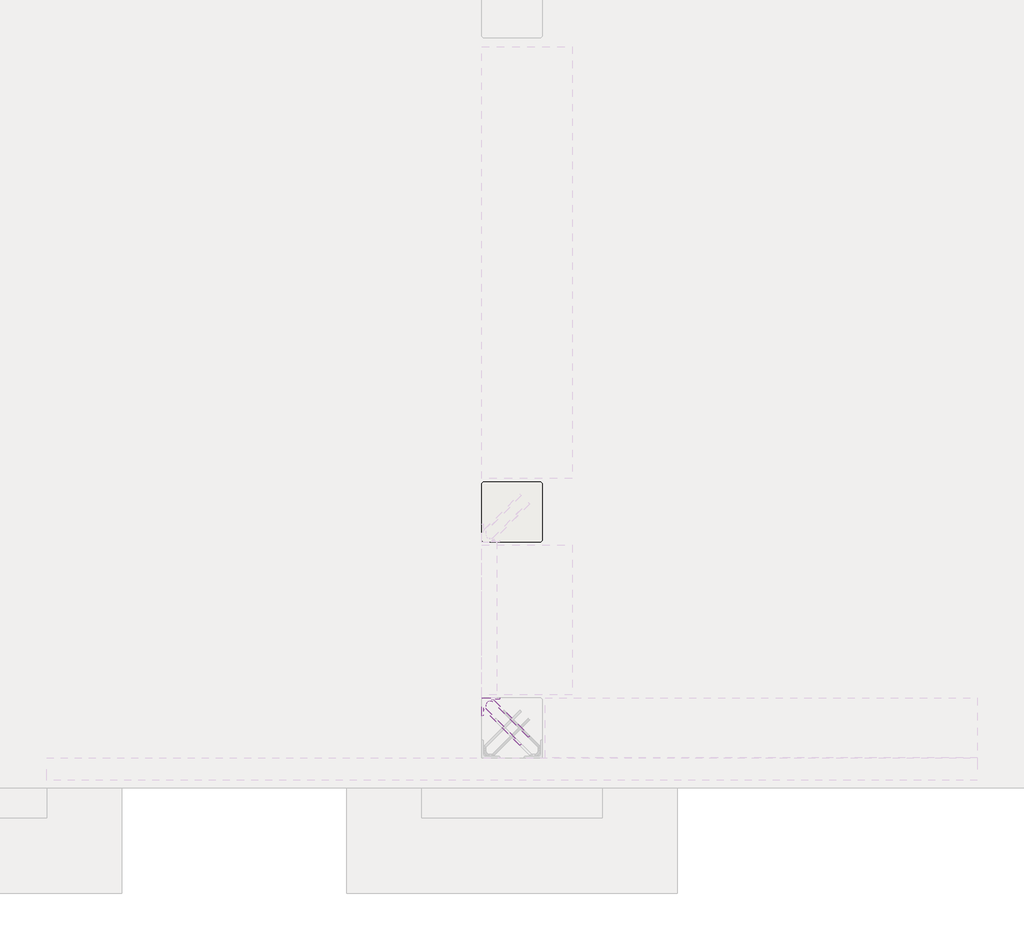
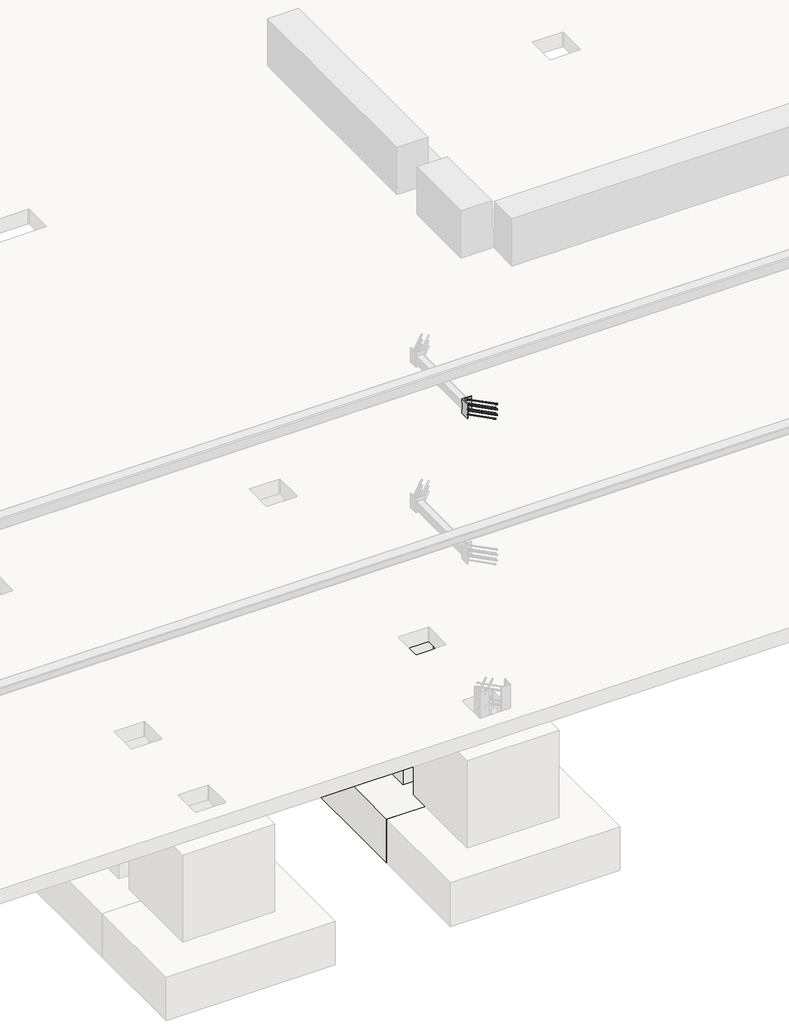
# One storey, part 28 of 65: 1 fastener, 1 slab.
"""IFC4 building model written with IfcOpenShell, lengths in millimetres."""

from ifc_helpers import new_model, si_unit, point, frame, frame_2d, origin, place, context, project, spatial, polyline, circle_curve, ellipse_curve, trimmed, segment, composite_curve, outline, extrude, faceted_brep, element, save
from ifc_brep_helpers import plane_surface, cylinder_surface, revolved_surface, advanced_brep

model = new_model("IFC4")

# Units and contexts
model_context = context("Model", 3, world=origin())
ifc_project = project(units=[si_unit("LENGTHUNIT", "METRE", prefix="MILLI")], contexts=[model_context])

# Site, building, storey
site = spatial("IfcSite", under=ifc_project)
building = spatial("IfcBuilding", under=site)
storey = spatial("IfcBuildingStorey", under=building, Elevation=0.0)

# Fastener
placement = place(None, origin())
element("IfcFastener", 1, at=placement, inside=storey, context=model_context, shape_type="SolidModel", body=[
    advanced_brep(
    [(56902.5376259, 9882.5628791, 4125.0), (56912.4371209, 9892.4623741, 4125.0), (56967.4371209, 9947.4623741, 4125.0), (56957.5376259, 9937.5628791, 4125.0), (56697.0, 10176.0, 4125.0), (56697.0, 10190.0, 4125.0), (56715.7867966, 10190.0, 4125.0), (56715.7867966, 10176.0, 4125.0), (56674.0, 10153.0, 4125.0), (56660.0, 10153.0, 4125.0), (56674.0, 10134.2132034, 4125.0), (56660.0, 10134.2132034, 4125.0), (56666.4436508, 10118.6568542, 4125.0), (56676.3431458, 10128.5563492, 4125.0), (56721.4436508, 10173.6568542, 4125.0), (56731.3431458, 10183.5563492, 4125.0)],
    [
        (0, 1, circle_curve(frame((56907.4873734, 9887.5126266, 4125.0), z_axis=(0.7071067811865459, -0.7071067811865493, 0.0), x_axis=(0.7071067811865493, 0.7071067811865459, 0.0)), 7.0)),
        (1, 0, circle_curve(frame((56907.4873734, 9887.5126266, 4125.0), z_axis=(0.7071067811865459, -0.7071067811865493, 0.0), x_axis=(0.7071067811865493, 0.7071067811865459, 0.0)), 7.0)),
        (2, 3, circle_curve(frame((56962.4873734, 9942.5126266, 4125.0), z_axis=(0.7071067811865457, -0.7071067811865493, 0.0), x_axis=(-0.7071067811865493, -0.7071067811865457, 0.0)), 7.0)),
        (3, 2, circle_curve(frame((56962.4873734, 9942.5126266, 4125.0), z_axis=(0.7071067811865457, -0.7071067811865493, 0.0), x_axis=(-0.7071067811865493, -0.7071067811865457, 0.0)), 7.0)),
        (4, 5, circle_curve(frame((56697.0, 10183.0, 4125.0), z_axis=(1.0, 0.0, 0.0), x_axis=(0.0, -1.0, 0.0)), 7.0)),
        (5, 6),
        (6, 7, circle_curve(frame((56715.7867966, 10183.0, 4125.0), z_axis=(-1.0, 0.0, 0.0), x_axis=(0.0, -1.0, 0.0)), 7.0)),
        (7, 4),
        (5, 4, circle_curve(frame((56697.0, 10183.0, 4125.0), z_axis=(1.0, 0.0, 0.0), x_axis=(0.0, -1.0, 0.0)), 7.0)),
        (7, 6, circle_curve(frame((56715.7867966, 10183.0, 4125.0), z_axis=(-1.0, 0.0, 0.0), x_axis=(0.0, -1.0, 0.0)), 7.0)),
        (4, 8, circle_curve(frame((56697.0, 10153.0, 4125.0), z_axis=(0.0, 0.0, 1.0), x_axis=(-1.0, 0.0, 0.0)), 23.0)),
        (8, 9, circle_curve(frame((56667.0, 10153.0, 4125.0), z_axis=(0.0, 1.0, 0.0), x_axis=(1.0, 0.0, 0.0)), 7.0)),
        (9, 5, circle_curve(frame((56697.0, 10153.0, 4125.0), z_axis=(0.0, 0.0, -1.0), x_axis=(-1.0, 0.0, 0.0)), 37.0)),
        (9, 8, circle_curve(frame((56667.0, 10153.0, 4125.0), z_axis=(0.0, 1.0, 0.0), x_axis=(1.0, 0.0, 0.0)), 7.0)),
        (10, 11, circle_curve(frame((56667.0, 10134.2132034, 4125.0), z_axis=(0.0, 1.0, 0.0), x_axis=(1.0, 0.0, 0.0)), 7.0)),
        (11, 9),
        (8, 10),
        (11, 10, circle_curve(frame((56667.0, 10134.2132034, 4125.0), z_axis=(0.0, 1.0, 0.0), x_axis=(1.0, 0.0, 0.0)), 7.0)),
        (0, 12),
        (12, 13, circle_curve(frame((56671.3933983, 10123.6066017, 4125.0), z_axis=(0.7071067811865459, -0.7071067811865493, 0.0), x_axis=(0.7071067811865493, 0.7071067811865459, 0.0)), 7.0)),
        (13, 1),
        (13, 12, circle_curve(frame((56671.3933983, 10123.6066017, 4125.0), z_axis=(0.7071067811865459, -0.7071067811865493, 0.0), x_axis=(0.7071067811865493, 0.7071067811865459, 0.0)), 7.0)),
        (10, 13, circle_curve(frame((56682.0, 10134.2132034, 4125.0), z_axis=(0.0, 0.0, 1.0), x_axis=(-0.7071067811865491, -0.7071067811865459, 0.0)), 8.0)),
        (12, 11, circle_curve(frame((56682.0, 10134.2132034, 4125.0), z_axis=(0.0, 0.0, -1.0), x_axis=(-0.7071067811865491, -0.7071067811865459, 0.0)), 22.0)),
        (14, 7, circle_curve(frame((56715.7867966, 10168.0, 4125.0), z_axis=(0.0, 0.0, 1.0), x_axis=(0.0, 1.0, 0.0)), 8.0)),
        (6, 15, circle_curve(frame((56715.7867966, 10168.0, 4125.0), z_axis=(0.0, 0.0, -1.0), x_axis=(0.0, 1.0, 0.0)), 22.0)),
        (15, 14, circle_curve(frame((56726.3933983, 10178.6066017, 4125.0), z_axis=(-0.7071067811865456, 0.7071067811865495, 0.0), x_axis=(-0.7071067811865495, -0.7071067811865456, 0.0)), 7.0)),
        (14, 15, circle_curve(frame((56726.3933983, 10178.6066017, 4125.0), z_axis=(-0.707106781186545, 0.70710678118655, 0.0), x_axis=(-0.70710678118655, -0.707106781186545, 0.0)), 7.0)),
        (15, 2),
        (3, 14),
    ],
    [
        plane_surface(frame((56907.4873734, 9887.5126266, 4125.0), z_axis=(0.7071067811865459, -0.7071067811865493, 0.0), x_axis=(0.0, 0.0, -1.0))),
        plane_surface(frame((56962.4873734, 9942.5126266, 4125.0), z_axis=(0.7071067811865457, -0.7071067811865493, 0.0), x_axis=(0.0, 0.0, -1.0))),
        cylinder_surface(frame((56697.0, 10183.0, 4125.0), z_axis=(-1.0, 0.0, 0.0), x_axis=(0.0, -1.0, 0.0)), 7.0),
        revolved_surface(trimmed(ellipse_curve(frame((56667.0, 10153.0, 4125.0), z_axis=(0.0, -1.0, 0.0), x_axis=(1.0, 0.0, 0.0)), 7.0, 7.0), [point((56660.0, 10153.0, 4125.0))], [point((56674.0, 10153.0, 4125.0))], True, "CARTESIAN"), (56697.0, 10153.0, 4125.0), (0.0, 0.0, -1.0)),
        revolved_surface(trimmed(ellipse_curve(frame((56667.0, 10153.0, 4125.0), z_axis=(0.0, -1.0, 0.0), x_axis=(1.0, 0.0, 0.0)), 7.0, 7.0), [point((56674.0, 10153.0, 4125.0))], [point((56660.0, 10153.0, 4125.0))], True, "CARTESIAN"), (56697.0, 10153.0, 4125.0), (0.0, 0.0, -1.0)),
        cylinder_surface(frame((56667.0, 10134.2132034, 4125.0), z_axis=(0.0, -1.0, 0.0), x_axis=(1.0, 0.0, 0.0)), 7.0),
        cylinder_surface(frame((56907.4873734, 9887.5126266, 4125.0), z_axis=(0.7071067811865459, -0.7071067811865493, 0.0), x_axis=(0.7071067811865493, 0.7071067811865459, 0.0)), 7.0),
        revolved_surface(trimmed(ellipse_curve(frame((56671.3933983, 10123.6066017, 4125.0), z_axis=(0.7071067811865459, -0.7071067811865491, 0.0), x_axis=(0.7071067811865491, 0.7071067811865459, 0.0)), 7.0, 7.0), [point((56666.4436508, 10118.6568542, 4125.0))], [point((56676.3431458, 10128.5563492, 4125.0))], True, "CARTESIAN"), (56682.0, 10134.2132034, 4125.0), (0.0, 0.0, -1.0)),
        revolved_surface(trimmed(ellipse_curve(frame((56671.3933983, 10123.6066017, 4125.0), z_axis=(0.7071067811865459, -0.7071067811865491, 0.0), x_axis=(0.7071067811865491, 0.7071067811865459, 0.0)), 7.0, 7.0), [point((56676.3431458, 10128.5563492, 4125.0))], [point((56666.4436508, 10118.6568542, 4125.0))], True, "CARTESIAN"), (56682.0, 10134.2132034, 4125.0), (0.0, 0.0, -1.0)),
        revolved_surface(trimmed(ellipse_curve(frame((56715.7867966, 10183.0, 4125.0), z_axis=(-1.0, 0.0, 0.0), x_axis=(0.0, -1.0, 0.0)), 7.0, 7.0), [point((56715.7867966, 10190.0, 4125.0))], [point((56715.7867966, 10176.0, 4125.0))], True, "CARTESIAN"), (56715.7867966, 10168.0, 4125.0), (0.0, 0.0, -1.0)),
        revolved_surface(trimmed(ellipse_curve(frame((56715.7867966, 10183.0, 4125.0), z_axis=(-1.0, 0.0, 0.0), x_axis=(0.0, -1.0, 0.0)), 7.0, 7.0), [point((56715.7867966, 10176.0, 4125.0))], [point((56715.7867966, 10190.0, 4125.0))], True, "CARTESIAN"), (56715.7867966, 10168.0, 4125.0), (0.0, 0.0, -1.0)),
        cylinder_surface(frame((56726.3933983, 10178.6066017, 4125.0), z_axis=(-0.7071067811865457, 0.7071067811865493, 0.0), x_axis=(-0.7071067811865493, -0.7071067811865457, 0.0)), 7.0),
    ],
    [
        (0, [[1, 2]]),
        (1, [[3, 4]]),
        (2, [[5, 6, 7, 8]]),
        (2, [[9, -8, 10, -6]]),
        (3, [[11, 12, 13, -5]]),
        (4, [[-13, 14, -11, -9]]),
        (5, [[15, 16, -12, 17]]),
        (5, [[18, -17, -14, -16]]),
        (6, [[-1, 19, 20, 21]]),
        (6, [[-2, -21, 22, -19]]),
        (7, [[23, -20, 24, -15]]),
        (8, [[-24, -22, -23, -18]]),
        (9, [[25, -7, 26, 27]]),
        (10, [[-26, -10, -25, 28]]),
        (11, [[-27, 29, -4, 30]]),
        (11, [[-28, -30, -3, -29]]),
    ],
),
    advanced_brep(
    [(56912.4371209, 9892.4623741, 3975.0), (56902.5376259, 9882.5628791, 3975.0), (56957.5376259, 9937.5628791, 3975.0), (56967.4371209, 9947.4623741, 3975.0), (56697.0, 10190.0, 3975.0), (56697.0, 10176.0, 3975.0), (56715.7867966, 10176.0, 3975.0), (56715.7867966, 10190.0, 3975.0), (56660.0, 10153.0, 3975.0), (56674.0, 10153.0, 3975.0), (56660.0, 10134.2132034, 3975.0), (56674.0, 10134.2132034, 3975.0), (56676.3431458, 10128.5563492, 3975.0), (56666.4436508, 10118.6568542, 3975.0), (56731.3431458, 10183.5563492, 3975.0), (56721.4436508, 10173.6568542, 3975.0)],
    [
        (0, 1, circle_curve(frame((56907.4873734, 9887.5126266, 3975.0), z_axis=(0.7071067811865459, -0.7071067811865493, 0.0), x_axis=(-0.7071067811865493, -0.7071067811865459, 0.0)), 7.0)),
        (1, 0, circle_curve(frame((56907.4873734, 9887.5126266, 3975.0), z_axis=(0.7071067811865459, -0.7071067811865493, 0.0), x_axis=(-0.7071067811865493, -0.7071067811865459, 0.0)), 7.0)),
        (2, 3, circle_curve(frame((56962.4873734, 9942.5126266, 3975.0), z_axis=(0.7071067811865458, -0.7071067811865493, 0.0), x_axis=(0.7071067811865493, 0.7071067811865458, 0.0)), 7.0)),
        (3, 2, circle_curve(frame((56962.4873734, 9942.5126266, 3975.0), z_axis=(0.7071067811865458, -0.7071067811865493, 0.0), x_axis=(0.7071067811865493, 0.7071067811865458, 0.0)), 7.0)),
        (4, 5, circle_curve(frame((56697.0, 10183.0, 3975.0), z_axis=(1.0, 0.0, 0.0), x_axis=(0.0, 1.0, 0.0)), 7.0)),
        (5, 6),
        (6, 7, circle_curve(frame((56715.7867966, 10183.0, 3975.0), z_axis=(-1.0, 0.0, 0.0), x_axis=(0.0, 1.0, 0.0)), 7.0)),
        (7, 4),
        (5, 4, circle_curve(frame((56697.0, 10183.0, 3975.0), z_axis=(1.0, 0.0, 0.0), x_axis=(0.0, 1.0, 0.0)), 7.0)),
        (7, 6, circle_curve(frame((56715.7867966, 10183.0, 3975.0), z_axis=(-1.0, 0.0, 0.0), x_axis=(0.0, 1.0, 0.0)), 7.0)),
        (4, 8, circle_curve(frame((56697.0, 10153.0, 3975.0), z_axis=(0.0, 0.0, 1.0), x_axis=(-1.0, 0.0, 0.0)), 37.0)),
        (8, 9, circle_curve(frame((56667.0, 10153.0, 3975.0), z_axis=(0.0, 1.0, 0.0), x_axis=(-1.0, 0.0, 0.0)), 7.0)),
        (9, 5, circle_curve(frame((56697.0, 10153.0, 3975.0), z_axis=(0.0, 0.0, -1.0), x_axis=(-1.0, 0.0, 0.0)), 23.0)),
        (9, 8, circle_curve(frame((56667.0, 10153.0, 3975.0), z_axis=(0.0, 1.0, 0.0), x_axis=(-1.0, 0.0, 0.0)), 7.0)),
        (10, 11, circle_curve(frame((56667.0, 10134.2132034, 3975.0), z_axis=(0.0, 1.0, 0.0), x_axis=(-1.0, 0.0, 0.0)), 7.0)),
        (11, 9),
        (8, 10),
        (11, 10, circle_curve(frame((56667.0, 10134.2132034, 3975.0), z_axis=(0.0, 1.0, 0.0), x_axis=(-1.0, 0.0, 0.0)), 7.0)),
        (0, 12),
        (12, 13, circle_curve(frame((56671.3933983, 10123.6066017, 3975.0), z_axis=(0.7071067811865459, -0.7071067811865493, 0.0), x_axis=(-0.7071067811865493, -0.7071067811865459, 0.0)), 7.0)),
        (13, 1),
        (13, 12, circle_curve(frame((56671.3933983, 10123.6066017, 3975.0), z_axis=(0.7071067811865459, -0.7071067811865493, 0.0), x_axis=(-0.7071067811865493, -0.7071067811865459, 0.0)), 7.0)),
        (10, 13, circle_curve(frame((56682.0, 10134.2132034, 3975.0), z_axis=(0.0, 0.0, 1.0), x_axis=(-0.7071067811865491, -0.7071067811865459, 0.0)), 22.0)),
        (12, 11, circle_curve(frame((56682.0, 10134.2132034, 3975.0), z_axis=(0.0, 0.0, -1.0), x_axis=(-0.7071067811865491, -0.7071067811865459, 0.0)), 8.0)),
        (14, 7, circle_curve(frame((56715.7867966, 10168.0, 3975.0), z_axis=(0.0, 0.0, 1.0), x_axis=(0.0, 1.0, 0.0)), 22.0)),
        (6, 15, circle_curve(frame((56715.7867966, 10168.0, 3975.0), z_axis=(0.0, 0.0, -1.0), x_axis=(0.0, 1.0, 0.0)), 8.0)),
        (15, 14, circle_curve(frame((56726.3933983, 10178.6066017, 3975.0), z_axis=(-0.7071067811865442, 0.7071067811865508, 0.0), x_axis=(0.7071067811865508, 0.7071067811865442, 0.0)), 7.0)),
        (14, 15, circle_curve(frame((56726.3933983, 10178.6066017, 3975.0), z_axis=(-0.707106781186545, 0.70710678118655, 0.0), x_axis=(0.70710678118655, 0.707106781186545, 0.0)), 7.0)),
        (15, 2),
        (3, 14),
    ],
    [
        plane_surface(frame((56907.4873734, 9887.5126266, 3975.0), z_axis=(0.7071067811865459, -0.7071067811865493, 0.0), x_axis=(0.0, 0.0, 1.0))),
        plane_surface(frame((56962.4873734, 9942.5126266, 3975.0), z_axis=(0.7071067811865458, -0.7071067811865493, 0.0), x_axis=(0.0, 0.0, 1.0))),
        cylinder_surface(frame((56697.0, 10183.0, 3975.0), z_axis=(-1.0, 0.0, 0.0), x_axis=(0.0, 1.0, 0.0)), 7.0),
        revolved_surface(trimmed(ellipse_curve(frame((56667.0, 10153.0, 3975.0), z_axis=(0.0, -1.0, 0.0), x_axis=(-1.0, 0.0, 0.0)), 7.0, 7.0), [point((56674.0, 10153.0, 3975.0))], [point((56660.0, 10153.0, 3975.0))], True, "CARTESIAN"), (56697.0, 10153.0, 3975.0), (0.0, 0.0, -1.0)),
        revolved_surface(trimmed(ellipse_curve(frame((56667.0, 10153.0, 3975.0), z_axis=(0.0, -1.0, 0.0), x_axis=(-1.0, 0.0, 0.0)), 7.0, 7.0), [point((56660.0, 10153.0, 3975.0))], [point((56674.0, 10153.0, 3975.0))], True, "CARTESIAN"), (56697.0, 10153.0, 3975.0), (0.0, 0.0, -1.0)),
        cylinder_surface(frame((56667.0, 10134.2132034, 3975.0), z_axis=(0.0, -1.0, 0.0), x_axis=(-1.0, 0.0, 0.0)), 7.0),
        cylinder_surface(frame((56907.4873734, 9887.5126266, 3975.0), z_axis=(0.7071067811865459, -0.7071067811865493, 0.0), x_axis=(-0.7071067811865493, -0.7071067811865459, 0.0)), 7.0),
        revolved_surface(trimmed(ellipse_curve(frame((56671.3933983, 10123.6066017, 3975.0), z_axis=(0.7071067811865459, -0.7071067811865491, 0.0), x_axis=(-0.7071067811865491, -0.7071067811865459, 0.0)), 7.0, 7.0), [point((56676.3431458, 10128.5563492, 3975.0))], [point((56666.4436508, 10118.6568542, 3975.0))], True, "CARTESIAN"), (56682.0, 10134.2132034, 3975.0), (0.0, 0.0, -1.0)),
        revolved_surface(trimmed(ellipse_curve(frame((56671.3933983, 10123.6066017, 3975.0), z_axis=(0.7071067811865459, -0.7071067811865491, 0.0), x_axis=(-0.7071067811865491, -0.7071067811865459, 0.0)), 7.0, 7.0), [point((56666.4436508, 10118.6568542, 3975.0))], [point((56676.3431458, 10128.5563492, 3975.0))], True, "CARTESIAN"), (56682.0, 10134.2132034, 3975.0), (0.0, 0.0, -1.0)),
        revolved_surface(trimmed(ellipse_curve(frame((56715.7867966, 10183.0, 3975.0), z_axis=(-1.0, 0.0, 0.0), x_axis=(0.0, 1.0, 0.0)), 7.0, 7.0), [point((56715.7867966, 10176.0, 3975.0))], [point((56715.7867966, 10190.0, 3975.0))], True, "CARTESIAN"), (56715.7867966, 10168.0, 3975.0), (0.0, 0.0, -1.0)),
        revolved_surface(trimmed(ellipse_curve(frame((56715.7867966, 10183.0, 3975.0), z_axis=(-1.0, 0.0, 0.0), x_axis=(0.0, 1.0, 0.0)), 7.0, 7.0), [point((56715.7867966, 10190.0, 3975.0))], [point((56715.7867966, 10176.0, 3975.0))], True, "CARTESIAN"), (56715.7867966, 10168.0, 3975.0), (0.0, 0.0, -1.0)),
        cylinder_surface(frame((56726.3933983, 10178.6066017, 3975.0), z_axis=(-0.7071067811865458, 0.7071067811865493, 0.0), x_axis=(0.7071067811865493, 0.7071067811865458, 0.0)), 7.0),
    ],
    [
        (0, [[1, 2]]),
        (1, [[3, 4]]),
        (2, [[5, 6, 7, 8]]),
        (2, [[9, -8, 10, -6]]),
        (3, [[11, 12, 13, -5]]),
        (4, [[-13, 14, -11, -9]]),
        (5, [[15, 16, -12, 17]]),
        (5, [[18, -17, -14, -16]]),
        (6, [[-1, 19, 20, 21]]),
        (6, [[-2, -21, 22, -19]]),
        (7, [[23, -20, 24, -15]]),
        (8, [[-24, -22, -23, -18]]),
        (9, [[25, -7, 26, 27]]),
        (10, [[-26, -10, -25, 28]]),
        (11, [[-27, 29, -4, 30]]),
        (11, [[-28, -30, -3, -29]]),
    ],
),
    advanced_brep(
    [(56912.4371209, 9892.4623741, 4050.0), (56902.5376259, 9882.5628791, 4050.0), (56957.5376259, 9937.5628791, 4050.0), (56967.4371209, 9947.4623741, 4050.0), (56697.0, 10190.0, 4050.0), (56697.0, 10176.0, 4050.0), (56715.7867966, 10176.0, 4050.0), (56715.7867966, 10190.0, 4050.0), (56660.0, 10153.0, 4050.0), (56674.0, 10153.0, 4050.0), (56660.0, 10134.2132034, 4050.0), (56674.0, 10134.2132034, 4050.0), (56676.3431458, 10128.5563492, 4050.0), (56666.4436508, 10118.6568542, 4050.0), (56731.3431458, 10183.5563492, 4050.0), (56721.4436508, 10173.6568542, 4050.0)],
    [
        (0, 1, circle_curve(frame((56907.4873734, 9887.5126266, 4050.0), z_axis=(0.7071067811865458, -0.7071067811865492, 0.0), x_axis=(-0.7071067811865492, -0.7071067811865458, 0.0)), 7.0)),
        (1, 0, circle_curve(frame((56907.4873734, 9887.5126266, 4050.0), z_axis=(0.7071067811865458, -0.7071067811865492, 0.0), x_axis=(-0.7071067811865492, -0.7071067811865458, 0.0)), 7.0)),
        (2, 3, circle_curve(frame((56962.4873734, 9942.5126266, 4050.0), z_axis=(0.7071067811865458, -0.7071067811865493, 0.0), x_axis=(0.7071067811865493, 0.7071067811865458, 0.0)), 7.0)),
        (3, 2, circle_curve(frame((56962.4873734, 9942.5126266, 4050.0), z_axis=(0.7071067811865458, -0.7071067811865493, 0.0), x_axis=(0.7071067811865493, 0.7071067811865458, 0.0)), 7.0)),
        (4, 5, circle_curve(frame((56697.0, 10183.0, 4050.0), z_axis=(1.0, 0.0, 0.0), x_axis=(0.0, 1.0, 0.0)), 7.0)),
        (5, 6),
        (6, 7, circle_curve(frame((56715.7867966, 10183.0, 4050.0), z_axis=(-1.0, 0.0, 0.0), x_axis=(0.0, 1.0, 0.0)), 7.0)),
        (7, 4),
        (5, 4, circle_curve(frame((56697.0, 10183.0, 4050.0), z_axis=(1.0, 0.0, 0.0), x_axis=(0.0, 1.0, 0.0)), 7.0)),
        (7, 6, circle_curve(frame((56715.7867966, 10183.0, 4050.0), z_axis=(-1.0, 0.0, 0.0), x_axis=(0.0, 1.0, 0.0)), 7.0)),
        (4, 8, circle_curve(frame((56697.0, 10153.0, 4050.0), z_axis=(0.0, 0.0, 1.0), x_axis=(-1.0, 0.0, 0.0)), 37.0)),
        (8, 9, circle_curve(frame((56667.0, 10153.0, 4050.0), z_axis=(0.0, 1.0, 0.0), x_axis=(-1.0, 0.0, 0.0)), 7.0)),
        (9, 5, circle_curve(frame((56697.0, 10153.0, 4050.0), z_axis=(0.0, 0.0, -1.0), x_axis=(-1.0, 0.0, 0.0)), 23.0)),
        (9, 8, circle_curve(frame((56667.0, 10153.0, 4050.0), z_axis=(0.0, 1.0, 0.0), x_axis=(-1.0, 0.0, 0.0)), 7.0)),
        (10, 11, circle_curve(frame((56667.0, 10134.2132034, 4050.0), z_axis=(0.0, 1.0, 0.0), x_axis=(-1.0, 0.0, 0.0)), 7.0)),
        (11, 9),
        (8, 10),
        (11, 10, circle_curve(frame((56667.0, 10134.2132034, 4050.0), z_axis=(0.0, 1.0, 0.0), x_axis=(-1.0, 0.0, 0.0)), 7.0)),
        (0, 12),
        (12, 13, circle_curve(frame((56671.3933983, 10123.6066017, 4050.0), z_axis=(0.7071067811865458, -0.7071067811865492, 0.0), x_axis=(-0.7071067811865492, -0.7071067811865458, 0.0)), 7.0)),
        (13, 1),
        (13, 12, circle_curve(frame((56671.3933983, 10123.6066017, 4050.0), z_axis=(0.7071067811865458, -0.7071067811865492, 0.0), x_axis=(-0.7071067811865492, -0.7071067811865458, 0.0)), 7.0)),
        (10, 13, circle_curve(frame((56682.0, 10134.2132034, 4050.0), z_axis=(0.0, 0.0, 1.0), x_axis=(-0.7071067811865491, -0.7071067811865459, 0.0)), 22.0)),
        (12, 11, circle_curve(frame((56682.0, 10134.2132034, 4050.0), z_axis=(0.0, 0.0, -1.0), x_axis=(-0.7071067811865491, -0.7071067811865459, 0.0)), 8.0)),
        (14, 7, circle_curve(frame((56715.7867966, 10168.0, 4050.0), z_axis=(0.0, 0.0, 1.0), x_axis=(0.0, 1.0, 0.0)), 22.0)),
        (6, 15, circle_curve(frame((56715.7867966, 10168.0, 4050.0), z_axis=(0.0, 0.0, -1.0), x_axis=(0.0, 1.0, 0.0)), 8.0)),
        (15, 14, circle_curve(frame((56726.3933983, 10178.6066017, 4050.0), z_axis=(-0.7071067811865457, 0.7071067811865493, 0.0), x_axis=(0.7071067811865493, 0.7071067811865457, 0.0)), 7.0)),
        (14, 15, circle_curve(frame((56726.3933983, 10178.6066017, 4050.0), z_axis=(-0.7071067811865456, 0.7071067811865495, 0.0), x_axis=(0.7071067811865495, 0.7071067811865456, 0.0)), 7.0)),
        (15, 2),
        (3, 14),
    ],
    [
        plane_surface(frame((56907.4873734, 9887.5126266, 4050.0), z_axis=(0.7071067811865458, -0.7071067811865492, 0.0), x_axis=(0.0, 0.0, 1.0))),
        plane_surface(frame((56962.4873734, 9942.5126266, 4050.0), z_axis=(0.7071067811865457, -0.7071067811865495, 0.0), x_axis=(0.0, 0.0, 1.0))),
        cylinder_surface(frame((56697.0, 10183.0, 4050.0), z_axis=(-1.0, 0.0, 0.0), x_axis=(0.0, 1.0, 0.0)), 7.0),
        revolved_surface(trimmed(ellipse_curve(frame((56667.0, 10153.0, 4050.0), z_axis=(0.0, -1.0, 0.0), x_axis=(-1.0, 0.0, 0.0)), 7.0, 7.0), [point((56674.0, 10153.0, 4050.0))], [point((56660.0, 10153.0, 4050.0))], True, "CARTESIAN"), (56697.0, 10153.0, 4050.0), (0.0, 0.0, -1.0)),
        revolved_surface(trimmed(ellipse_curve(frame((56667.0, 10153.0, 4050.0), z_axis=(0.0, -1.0, 0.0), x_axis=(-1.0, 0.0, 0.0)), 7.0, 7.0), [point((56660.0, 10153.0, 4050.0))], [point((56674.0, 10153.0, 4050.0))], True, "CARTESIAN"), (56697.0, 10153.0, 4050.0), (0.0, 0.0, -1.0)),
        cylinder_surface(frame((56667.0, 10134.2132034, 4050.0), z_axis=(0.0, -1.0, 0.0), x_axis=(-1.0, 0.0, 0.0)), 7.0),
        cylinder_surface(frame((56907.4873734, 9887.5126266, 4050.0), z_axis=(0.7071067811865458, -0.7071067811865492, 0.0), x_axis=(-0.7071067811865492, -0.7071067811865458, 0.0)), 7.0),
        revolved_surface(trimmed(ellipse_curve(frame((56671.3933983, 10123.6066017, 4050.0), z_axis=(0.707106781186546, -0.707106781186549, 0.0), x_axis=(-0.707106781186549, -0.707106781186546, 0.0)), 7.0, 7.0), [point((56676.3431458, 10128.5563492, 4050.0))], [point((56666.4436508, 10118.6568542, 4050.0))], True, "CARTESIAN"), (56682.0, 10134.2132034, 4050.0), (0.0, 0.0, -1.0)),
        revolved_surface(trimmed(ellipse_curve(frame((56671.3933983, 10123.6066017, 4050.0), z_axis=(0.707106781186546, -0.707106781186549, 0.0), x_axis=(-0.707106781186549, -0.707106781186546, 0.0)), 7.0, 7.0), [point((56666.4436508, 10118.6568542, 4050.0))], [point((56676.3431458, 10128.5563492, 4050.0))], True, "CARTESIAN"), (56682.0, 10134.2132034, 4050.0), (0.0, 0.0, -1.0)),
        revolved_surface(trimmed(ellipse_curve(frame((56715.7867966, 10183.0, 4050.0), z_axis=(-1.0, 0.0, 0.0), x_axis=(0.0, 1.0, 0.0)), 7.0, 7.0), [point((56715.7867966, 10176.0, 4050.0))], [point((56715.7867966, 10190.0, 4050.0))], True, "CARTESIAN"), (56715.7867966, 10168.0, 4050.0), (0.0, 0.0, -1.0)),
        revolved_surface(trimmed(ellipse_curve(frame((56715.7867966, 10183.0, 4050.0), z_axis=(-1.0, 0.0, 0.0), x_axis=(0.0, 1.0, 0.0)), 7.0, 7.0), [point((56715.7867966, 10190.0, 4050.0))], [point((56715.7867966, 10176.0, 4050.0))], True, "CARTESIAN"), (56715.7867966, 10168.0, 4050.0), (0.0, 0.0, -1.0)),
        cylinder_surface(frame((56726.3933983, 10178.6066017, 4050.0), z_axis=(-0.7071067811865458, 0.7071067811865493, 0.0), x_axis=(0.7071067811865493, 0.7071067811865458, 0.0)), 7.0),
    ],
    [
        (0, [[1, 2]]),
        (1, [[3, 4]]),
        (2, [[5, 6, 7, 8]]),
        (2, [[9, -8, 10, -6]]),
        (3, [[11, 12, 13, -5]]),
        (4, [[-13, 14, -11, -9]]),
        (5, [[15, 16, -12, 17]]),
        (5, [[18, -17, -14, -16]]),
        (6, [[-1, 19, 20, 21]]),
        (6, [[-2, -21, 22, -19]]),
        (7, [[23, -20, 24, -15]]),
        (8, [[-24, -22, -23, -18]]),
        (9, [[25, -7, 26, 27]]),
        (10, [[-26, -10, -25, 28]]),
        (11, [[-27, 29, -4, 30]]),
        (11, [[-28, -30, -3, -29]]),
    ],
),
    extrude(outline(composite_curve([segment(polyline([(56650.0, 10200.0), (56770.0, 10200.0), (56770.0, 10196.5)]), True, "CONTINUOUS"), segment(trimmed(circle_curve(frame_2d((56763.5, 10196.5)), 6.5), [point((56770.0, 10196.5))], [point((56763.5, 10190.0))], False, "CARTESIAN"), True, "CONTINUOUS"), segment(polyline([(56763.5, 10190.0), (56673.0, 10190.0)]), True, "CONTINUOUS"), segment(trimmed(circle_curve(frame_2d((56673.0, 10177.0)), 13.0), [point((56673.0, 10190.0))], [point((56660.0, 10177.0))], True, "CARTESIAN"), True, "CONTINUOUS"), segment(polyline([(56660.0, 10177.0), (56660.0, 10086.5)]), True, "CONTINUOUS"), segment(trimmed(circle_curve(frame_2d((56653.5, 10086.5)), 6.5), [point((56660.0, 10086.5))], [point((56653.5, 10080.0))], False, "CARTESIAN"), True, "CONTINUOUS"), segment(polyline([(56653.5, 10080.0), (56650.0, 10080.0), (56650.0, 10200.0)]), True, "CONTINUOUS")], self_intersect=False)), frame((0.0, 0.0, 3950.0), z_axis=(0.0, 0.0, 1.0), x_axis=(1.0, 0.0, 0.0)), (0.0, 0.0, 1.0), 200.0),
])

# Slab
element("IfcSlab", 2, ObjectType="F2.2x2.2x0.6m P1.2x1.2x1.2m", at=placement, inside=storey, context=model_context, shape_type="Brep", body=[
    faceted_brep([(55750.0, 10340.0, -2000.0), (57950.0, 10340.0, -2000.0), (57950.0, 10340.0, -1400.0), (57450.0, 10340.0, -1400.0), (56250.0, 10340.0, -1400.0), (55750.0, 10340.0, -1400.0), (55750.0, 12540.0, -1400.0), (57950.0, 12540.0, -1400.0), (56250.0, 12040.0, -1400.0), (57450.0, 12040.0, -1400.0), (57450.0, 10840.0, -1400.0), (56250.0, 10840.0, -1400.0), (56250.0, 12040.0, -200.0), (57450.0, 12040.0, -200.0), (56575.0, 11715.0, -1400.0), (56575.0, 11165.0, -1400.0), (57125.0, 11165.0, -1400.0), (57125.0, 11715.0, -1400.0), (56250.0, 10840.0, -200.0), (57450.0, 10840.0, -200.0), (56500.0, 11090.0, -200.0), (56500.0, 11790.0, -200.0), (57200.0, 11790.0, -200.0), (57200.0, 11090.0, -200.0), (55750.0, 12540.0, -2000.0), (57950.0, 12540.0, -2000.0)], [[[0, 1, 2, 3, 4, 5]], [[6, 5, 4, 3, 2, 7], [8, 9, 10, 11]], [[9, 8, 12, 13]], [[14, 15, 16, 17]], [[13, 12, 18, 19], [20, 21, 22, 23]], [[24, 25, 1, 0]], [[24, 0, 5, 6]], [[1, 25, 7, 2]], [[25, 24, 6, 7]], [[10, 9, 13, 19]], [[11, 10, 19, 18]], [[8, 11, 18, 12]], [[15, 14, 21, 20]], [[16, 15, 20, 23]], [[17, 16, 23, 22]], [[14, 17, 22, 21]]]),
])

save(model, "model.ifc")
